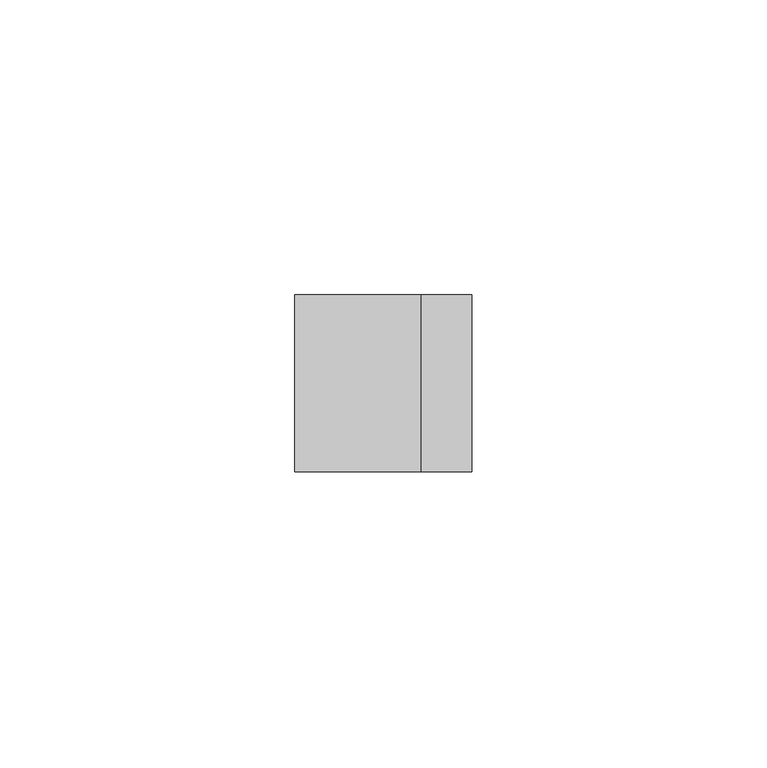
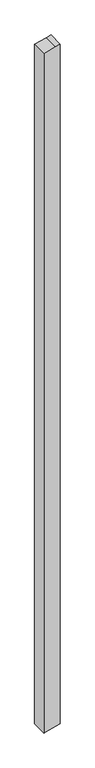
"""IFC4 building model written with IfcOpenShell, lengths in millimetres: member geometry."""

from ifc_helpers import new_model, si_unit, frame, origin, place, context, project, spatial, polyline, outline, extrude, source, transform, mapped, element, save


def member_ceb44193(model_context):
    return source(origin(), model_context, "Body", "SweptSolid", [
        extrude(outline(polyline([(3.1373334, 15.0), (0.8518543, 6.4704761), (-4.9011424, -15.0), (-1334.7710166, -15.0), (-1334.1699249, -12.7137556), (-1326.8835163, 15.0), (3.1373334, 15.0)])), frame((0.0, -15.0, 0.0), z_axis=(0.0, 1.0, 0.0), x_axis=(0.0, 0.0, 1.0)), (0.0, 0.0, 1.0), 30.0),
    ])


if __name__ == "__main__":
    model = new_model("IFC4")
    model_context = context("Model", 3, world=origin())
    ifc_project = project(units=[si_unit("LENGTHUNIT", "METRE", prefix="MILLI")], contexts=[model_context])
    site = spatial("IfcSite", under=ifc_project)
    building = spatial("IfcBuilding", under=site)
    placement = place(None, origin())
    member_shape = member_ceb44193(model_context)
    element("IfcMember", 1, at=placement, inside=building, context=model_context, shape_type="MappedRepresentation", body=[
        mapped(member_shape, transform((0.0, 0.0, 0.0), x_axis=(1.0, 0.0, 0.0), y_axis=(0.0, 1.0, 0.0), z_axis=(0.0, 0.0, 1.0))),
    ])
    save(model, "model.ifc")
